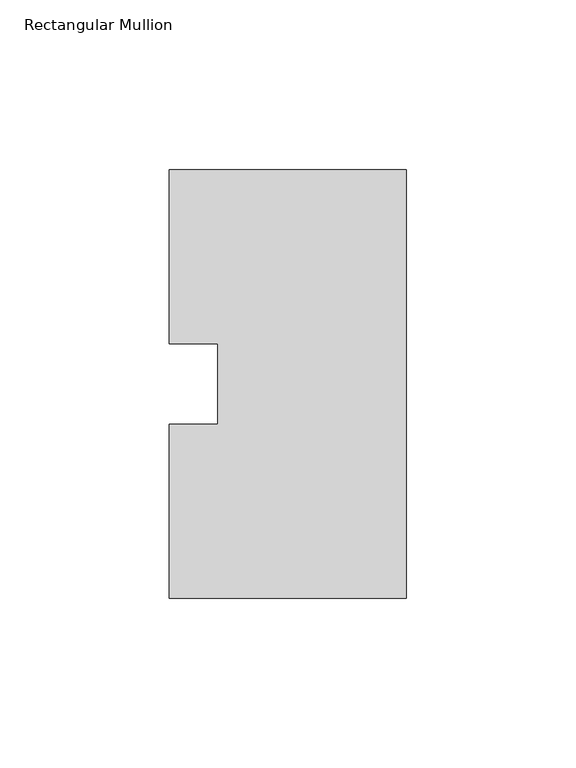
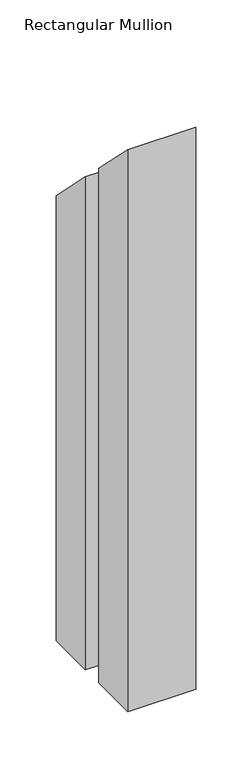
"""IFC4 building model written with IfcOpenShell, lengths in millimetres: member geometry, Rectangular Mullion."""

from ifc_helpers import new_model, si_unit, origin, place, context, project, spatial, faceted_brep, source, transform, mapped, element, save


def rectangular_mullion_75c8a9e8(model_context):
    return source(origin(), model_context, "Body", "Brep", [
        faceted_brep([(0.0, 126.75235, -609.56825), (0.0, 0.26035, -609.56825), (-69.85, 0.26035, -609.56825), (-69.85, 51.60645, -609.56825), (-55.5625, 51.60645, -609.56825), (-55.5625, 75.40625, -609.56825), (-69.85, 75.40625, -609.56825), (-69.85, 126.75235, -609.56825), (-69.85, 126.75235, -126.75235), (0.0, 126.75235, -126.75235), (-69.85, 75.40625, -75.40625), (-55.5625, 75.40625, -75.40625), (-55.5625, 51.60645, -51.60645), (-69.85, 51.60645, -51.60645), (-69.85, 0.26035, -0.26035), (0.0, 0.26035, -0.26035)], [[[0, 1, 2, 3, 4, 5, 6, 7]], [[8, 9, 0, 7]], [[10, 8, 7, 6]], [[11, 10, 6, 5]], [[12, 11, 5, 4]], [[13, 12, 4, 3]], [[14, 13, 3, 2]], [[15, 14, 2, 1]], [[9, 15, 1, 0]], [[9, 8, 10, 11, 12, 13, 14, 15]]]),
    ])


if __name__ == "__main__":
    model = new_model("IFC4")
    model_context = context("Model", 3, world=origin())
    ifc_project = project(units=[si_unit("LENGTHUNIT", "METRE", prefix="MILLI")], contexts=[model_context])
    site = spatial("IfcSite", under=ifc_project)
    building = spatial("IfcBuilding", under=site)
    placement = place(None, origin())
    rectangular_mullion_shape = rectangular_mullion_75c8a9e8(model_context)
    element("IfcMember", 1, ObjectType="Rectangular Mullion", at=placement, inside=building, context=model_context, shape_type="MappedRepresentation", body=[
        mapped(rectangular_mullion_shape, transform((0.0, 0.0, 0.0), x_axis=(1.0, 0.0, 0.0), y_axis=(0.0, 1.0, 0.0), z_axis=(0.0, 0.0, 1.0))),
    ])
    save(model, "model.ifc")
